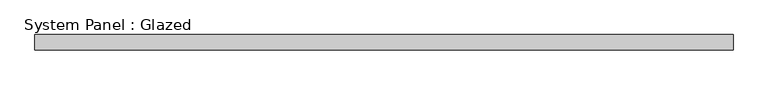
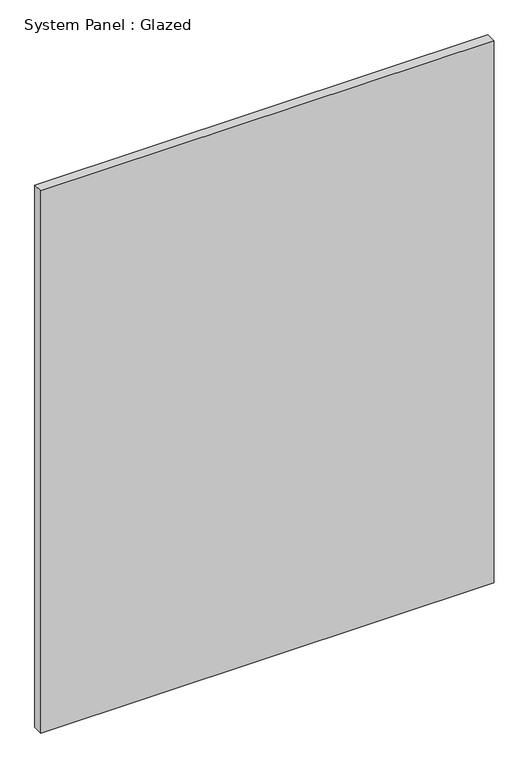
"""IFC4 building model written with IfcOpenShell, lengths in millimetres: plate geometry, System Panel : Glazed."""

import ifcopenshell
import ifcopenshell.guid

model = None  # the IFC model being written
_history = None  # IfcOwnerHistory: only IFC2X3 demands one
_inside = {}  # id of a spatial element -> (the spatial element, [elements in it])
_under = {}  # id of a project, library or spatial element -> (it, [spatial elements below it])
_declared = {}  # id of a project -> (the project, [libraries it declares])
_typed = {}  # id of a type object -> (the type object, [elements of that type])
_made_of = {}  # id of a material, layer set ... -> (it, [elements and type objects made of it])


def new_model(schema):
    """Start an empty IFC model of exactly this schema.

    Asked for "IFC4X3", IfcOpenShell would pick the latest addendum, in which some entities
    have other attributes; the version numbers below select the first issue.
    IFC2X3 requires an IfcOwnerHistory on every rooted entity: one is made here for all.
    """
    global model, _history
    if schema == "IFC4X3":
        model = ifcopenshell.file(schema_version=(4, 3, 0, 0))
    else:
        model = ifcopenshell.file(schema=schema)
    _inside.clear()
    _under.clear()
    _declared.clear()
    _typed.clear()
    _made_of.clear()
    _history = None
    if model.schema == "IFC2X3":
        org = make("IfcOrganization", Name="unknown")
        user = make(
            "IfcPersonAndOrganization",
            ThePerson=make("IfcPerson", FamilyName="unknown"),
            TheOrganization=org,
        )
        app = make(
            "IfcApplication",
            ApplicationDeveloper=org,
            Version="unknown",
            ApplicationFullName="unknown",
            ApplicationIdentifier="unknown",
        )
        _history = make(
            "IfcOwnerHistory",
            OwningUser=user,
            OwningApplication=app,
            ChangeAction="ADDED",
            CreationDate=0,
        )
    return model


def make(cls, **values):
    """One entity of the class cls with the attributes given. An attribute that is None is left unset."""
    return model.create_entity(
        cls, **{name: value for name, value in values.items() if value is not None}
    )


def rooted(cls, **values):
    """An entity with a GlobalId (a new one), such as an element, a storey or a relation."""
    return make(cls, GlobalId=ifcopenshell.guid.new(), OwnerHistory=_history, **values)


def si_unit(unit_type, name, prefix=None):
    """IfcSIUnit, for example si_unit("LENGTHUNIT", "METRE", prefix="MILLI")."""
    return make("IfcSIUnit", UnitType=unit_type, Prefix=prefix, Name=name)


def assignment(units):
    """IfcUnitAssignment: the units of a project."""
    return None if units is None else make("IfcUnitAssignment", Units=units)


def point(xyz):
    """IfcCartesianPoint."""
    return None if xyz is None else make("IfcCartesianPoint", Coordinates=xyz)


def direction(xyz):
    """IfcDirection."""
    return None if xyz is None else make("IfcDirection", DirectionRatios=xyz)


def frame(location, z_axis=None, x_axis=None):
    """IfcAxis2Placement3D, a coordinate frame: its origin and axes. An axis left out is left unset."""
    return make(
        "IfcAxis2Placement3D",
        Location=point(location),
        Axis=direction(z_axis),
        RefDirection=direction(x_axis),
    )


def origin():
    """The frame at (0, 0, 0) with its axes left unset."""
    return frame((0.0, 0.0, 0.0))


def origin_with_axes():
    """The frame at (0, 0, 0) with the z axis (0, 0, 1) and the x axis (1, 0, 0) written out."""
    return frame((0.0, 0.0, 0.0), z_axis=(0.0, 0.0, 1.0), x_axis=(1.0, 0.0, 0.0))


def place(relative_to, where):
    """IfcLocalPlacement: puts the frame where relative to a parent placement (None: the world)."""
    return make(
        "IfcLocalPlacement", PlacementRelTo=relative_to, RelativePlacement=where
    )


def context(
    kind, dimensions, precision=None, world=None, true_north=None, identifier=None
):
    """IfcGeometricRepresentationContext, for example the 3D "Model" context."""
    return make(
        "IfcGeometricRepresentationContext",
        ContextIdentifier=identifier,
        ContextType=kind,
        CoordinateSpaceDimension=dimensions,
        Precision=precision,
        WorldCoordinateSystem=world,
        TrueNorth=true_north,
    )


def project(units=None, contexts=None):
    """IfcProject with its units and contexts."""
    return rooted(
        "IfcProject",
        Name="project",
        RepresentationContexts=contexts,
        UnitsInContext=assignment(units),
    )


def spatial(cls, under=None, at=None, **own):
    """A site, building, storey or space (cls), placed at a placement, below another one or the project."""
    s = rooted(cls, ObjectPlacement=at, **own)
    if under is not None:
        _under.setdefault(under.id(), (under, []))[1].append(s)
    return s


def polyline(points):
    """IfcPolyline through the points."""
    return make("IfcPolyline", Points=[point(p) for p in points])


def outline(outer, holes=None, kind="AREA"):
    """IfcArbitraryClosedProfileDef: a profile drawn as a closed curve; with holes, ...WithVoids."""
    if holes is None:
        return make("IfcArbitraryClosedProfileDef", ProfileType=kind, OuterCurve=outer)
    return make(
        "IfcArbitraryProfileDefWithVoids",
        ProfileType=kind,
        OuterCurve=outer,
        InnerCurves=holes,
    )


def extrude(swept, where, along, depth):
    """IfcExtrudedAreaSolid: the profile swept, set in the frame where, extruded along a direction by depth."""
    return make(
        "IfcExtrudedAreaSolid",
        SweptArea=swept,
        Position=where,
        ExtrudedDirection=direction(along),
        Depth=depth,
    )


def shape(context_of_items, identifier, shape_type, items):
    """IfcShapeRepresentation: the items that make up one representation, for example the "Body"."""
    return make(
        "IfcShapeRepresentation",
        ContextOfItems=context_of_items,
        RepresentationIdentifier=identifier,
        RepresentationType=shape_type,
        Items=items,
    )


def source(mapping_origin, context_of_items, identifier, shape_type, items):
    """IfcRepresentationMap: a shape defined once, which mapped items show again and again."""
    return make(
        "IfcRepresentationMap",
        MappingOrigin=mapping_origin,
        MappedRepresentation=shape(context_of_items, identifier, shape_type, items),
    )


def transform(
    local_origin,
    x_axis=None,
    y_axis=None,
    z_axis=None,
    scale=None,
    scale2=None,
    scale3=None,
    uniform=True,
):
    """IfcCartesianTransformationOperator3D, or its non-uniform kind. x_axis, y_axis, z_axis: its Axis1, 2, 3."""
    if uniform:
        return make(
            "IfcCartesianTransformationOperator3D",
            Axis1=direction(x_axis),
            Axis2=direction(y_axis),
            LocalOrigin=point(local_origin),
            Scale=scale,
            Axis3=direction(z_axis),
        )
    return make(
        "IfcCartesianTransformationOperator3DnonUniform",
        Axis1=direction(x_axis),
        Axis2=direction(y_axis),
        LocalOrigin=point(local_origin),
        Scale=scale,
        Axis3=direction(z_axis),
        Scale2=scale2,
        Scale3=scale3,
    )


def mapped(mapping_source, mapping_target):
    """IfcMappedItem: shows the shape of a source again, moved by a transform."""
    return make(
        "IfcMappedItem", MappingSource=mapping_source, MappingTarget=mapping_target
    )


def made_of(thing, what):
    """Note that an element or type object is made of a material, layer set ...; save() writes the relation."""
    if what is not None:
        _made_of.setdefault(what.id(), (what, []))[1].append(thing)
    return thing


def element(
    cls,
    number,
    at=None,
    inside=None,
    cuts=None,
    type_object=None,
    material=None,
    context=None,
    identifier="Body",
    shape_type=None,
    held_by="IfcProductDefinitionShape",
    body=None,
    shapes=None,
    **own,
):
    """One element of the class cls, such as IfcWall. Its Tag is "e" and its number.

    at: its placement. inside: the storey or other place that contains it. cuts: it is an
    opening in that element (IfcRelVoidsElement). A single representation is given by context,
    identifier, shape_type and body (its items); several are given by shapes. held_by: the class
    of the entity that holds the representations. save() writes the other relations.
    """
    e = rooted(cls, Tag="e%d" % number, ObjectPlacement=at, **own)
    if body is not None:
        shapes = [shape(context, identifier, shape_type, body)]
    if shapes is not None:
        e.Representation = make(held_by, Representations=shapes)
    if inside is not None:
        _inside.setdefault(inside.id(), (inside, []))[1].append(e)
    if cuts is not None:
        rooted(
            "IfcRelVoidsElement", RelatingBuildingElement=cuts, RelatedOpeningElement=e
        )
    if type_object is not None:
        _typed.setdefault(type_object.id(), (type_object, []))[1].append(e)
    return made_of(e, material)


def aggregate(whole, parts):
    """IfcRelAggregates: a whole, such as a stair, and the parts it consists of."""
    return rooted("IfcRelAggregates", RelatingObject=whole, RelatedObjects=parts)


def save(model, path):
    """Write the relations noted so far, then the file.

    IfcRelAggregates (storeys below a building ...), IfcRelContainedInSpatialStructure (elements
    in a storey), IfcRelDefinesByType, IfcRelAssociatesMaterial and IfcRelDeclares: one each for
    every whole, place, type object, material and project.
    """
    for whole, parts in _under.values():
        aggregate(whole, parts)
    for where, things in _inside.values():
        rooted(
            "IfcRelContainedInSpatialStructure",
            RelatedElements=things,
            RelatingStructure=where,
        )
    for kind, things in _typed.values():
        rooted("IfcRelDefinesByType", RelatedObjects=things, RelatingType=kind)
    for what, things in _made_of.values():
        rooted("IfcRelAssociatesMaterial", RelatedObjects=things, RelatingMaterial=what)
    for by, libraries in _declared.values():
        rooted("IfcRelDeclares", RelatingContext=by, RelatedDefinitions=libraries)
    model.write(path)


def system_panel_glazed_e3a85c72(model_context):
    return source(origin(), model_context, "Body", "SweptSolid", [
        extrude(outline(polyline([(576.2625, -55.7), (-576.2625, -55.7), (-576.2625, -30.3), (576.2625, -30.3), (576.2625, -55.7)])), origin_with_axes(), (0.0, 0.0, 1.0), 1457.325),
    ])


if __name__ == "__main__":
    model = new_model("IFC4")
    model_context = context("Model", 3, world=origin())
    ifc_project = project(units=[si_unit("LENGTHUNIT", "METRE", prefix="MILLI")], contexts=[model_context])
    site = spatial("IfcSite", under=ifc_project)
    building = spatial("IfcBuilding", under=site)
    placement = place(None, origin())
    system_panel_glazed_shape = system_panel_glazed_e3a85c72(model_context)
    element("IfcPlate", 1, ObjectType="System Panel : Glazed", at=placement, inside=building, context=model_context, shape_type="MappedRepresentation", body=[
        mapped(system_panel_glazed_shape, transform((0.0, 0.0, 0.0), x_axis=(1.0, 0.0, 0.0), y_axis=(0.0, 1.0, 0.0), z_axis=(0.0, 0.0, 1.0))),
    ])
    save(model, "model.ifc")
